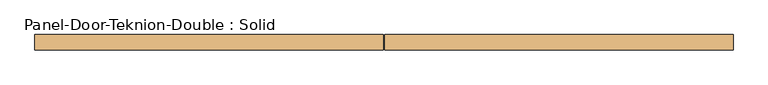
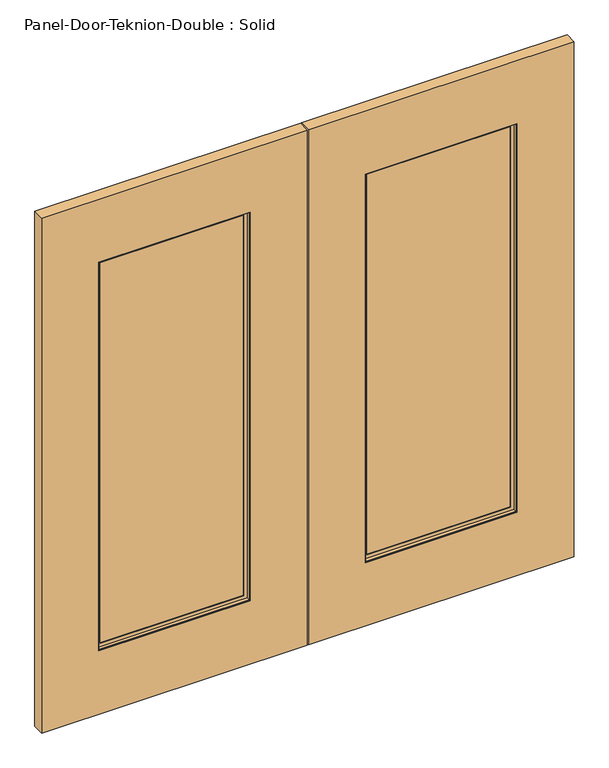
"""IFC4 building model written with IfcOpenShell, lengths in millimetres: door geometry, Panel-Door-Teknion-Double : Solid."""

import ifcopenshell
import ifcopenshell.guid

model = None  # the IFC model being written
_history = None  # IfcOwnerHistory: only IFC2X3 demands one
_inside = {}  # id of a spatial element -> (the spatial element, [elements in it])
_under = {}  # id of a project, library or spatial element -> (it, [spatial elements below it])
_declared = {}  # id of a project -> (the project, [libraries it declares])
_typed = {}  # id of a type object -> (the type object, [elements of that type])
_made_of = {}  # id of a material, layer set ... -> (it, [elements and type objects made of it])


def new_model(schema):
    """Start an empty IFC model of exactly this schema.

    Asked for "IFC4X3", IfcOpenShell would pick the latest addendum, in which some entities
    have other attributes; the version numbers below select the first issue.
    IFC2X3 requires an IfcOwnerHistory on every rooted entity: one is made here for all.
    """
    global model, _history
    if schema == "IFC4X3":
        model = ifcopenshell.file(schema_version=(4, 3, 0, 0))
    else:
        model = ifcopenshell.file(schema=schema)
    _inside.clear()
    _under.clear()
    _declared.clear()
    _typed.clear()
    _made_of.clear()
    _history = None
    if model.schema == "IFC2X3":
        org = make("IfcOrganization", Name="unknown")
        user = make(
            "IfcPersonAndOrganization",
            ThePerson=make("IfcPerson", FamilyName="unknown"),
            TheOrganization=org,
        )
        app = make(
            "IfcApplication",
            ApplicationDeveloper=org,
            Version="unknown",
            ApplicationFullName="unknown",
            ApplicationIdentifier="unknown",
        )
        _history = make(
            "IfcOwnerHistory",
            OwningUser=user,
            OwningApplication=app,
            ChangeAction="ADDED",
            CreationDate=0,
        )
    return model


def make(cls, **values):
    """One entity of the class cls with the attributes given. An attribute that is None is left unset."""
    return model.create_entity(
        cls, **{name: value for name, value in values.items() if value is not None}
    )


def rooted(cls, **values):
    """An entity with a GlobalId (a new one), such as an element, a storey or a relation."""
    return make(cls, GlobalId=ifcopenshell.guid.new(), OwnerHistory=_history, **values)


def si_unit(unit_type, name, prefix=None):
    """IfcSIUnit, for example si_unit("LENGTHUNIT", "METRE", prefix="MILLI")."""
    return make("IfcSIUnit", UnitType=unit_type, Prefix=prefix, Name=name)


def assignment(units):
    """IfcUnitAssignment: the units of a project."""
    return None if units is None else make("IfcUnitAssignment", Units=units)


def point(xyz):
    """IfcCartesianPoint."""
    return None if xyz is None else make("IfcCartesianPoint", Coordinates=xyz)


def direction(xyz):
    """IfcDirection."""
    return None if xyz is None else make("IfcDirection", DirectionRatios=xyz)


def frame(location, z_axis=None, x_axis=None):
    """IfcAxis2Placement3D, a coordinate frame: its origin and axes. An axis left out is left unset."""
    return make(
        "IfcAxis2Placement3D",
        Location=point(location),
        Axis=direction(z_axis),
        RefDirection=direction(x_axis),
    )


def origin():
    """The frame at (0, 0, 0) with its axes left unset."""
    return frame((0.0, 0.0, 0.0))


def place(relative_to, where):
    """IfcLocalPlacement: puts the frame where relative to a parent placement (None: the world)."""
    return make(
        "IfcLocalPlacement", PlacementRelTo=relative_to, RelativePlacement=where
    )


def context(
    kind, dimensions, precision=None, world=None, true_north=None, identifier=None
):
    """IfcGeometricRepresentationContext, for example the 3D "Model" context."""
    return make(
        "IfcGeometricRepresentationContext",
        ContextIdentifier=identifier,
        ContextType=kind,
        CoordinateSpaceDimension=dimensions,
        Precision=precision,
        WorldCoordinateSystem=world,
        TrueNorth=true_north,
    )


def project(units=None, contexts=None):
    """IfcProject with its units and contexts."""
    return rooted(
        "IfcProject",
        Name="project",
        RepresentationContexts=contexts,
        UnitsInContext=assignment(units),
    )


def spatial(cls, under=None, at=None, **own):
    """A site, building, storey or space (cls), placed at a placement, below another one or the project."""
    s = rooted(cls, ObjectPlacement=at, **own)
    if under is not None:
        _under.setdefault(under.id(), (under, []))[1].append(s)
    return s


def polyline(points):
    """IfcPolyline through the points."""
    return make("IfcPolyline", Points=[point(p) for p in points])


def outline(outer, holes=None, kind="AREA"):
    """IfcArbitraryClosedProfileDef: a profile drawn as a closed curve; with holes, ...WithVoids."""
    if holes is None:
        return make("IfcArbitraryClosedProfileDef", ProfileType=kind, OuterCurve=outer)
    return make(
        "IfcArbitraryProfileDefWithVoids",
        ProfileType=kind,
        OuterCurve=outer,
        InnerCurves=holes,
    )


def extrude(swept, where, along, depth):
    """IfcExtrudedAreaSolid: the profile swept, set in the frame where, extruded along a direction by depth."""
    return make(
        "IfcExtrudedAreaSolid",
        SweptArea=swept,
        Position=where,
        ExtrudedDirection=direction(along),
        Depth=depth,
    )


def faces_of(points, faces, orient=None, outer=None):
    """IfcFace entities. A face is a list of loops; a loop is a list of indices into points, from 0.

    orient and outer hold one flag for each loop. By default every Orientation is true, the
    first loop of a face is its IfcFaceOuterBound and the others are IfcFaceBound.
    """
    made = []
    for i, loops in enumerate(faces):
        bounds = []
        for j, loop in enumerate(loops):
            is_outer = j == 0 if outer is None else outer[i][j]
            bounds.append(
                make(
                    "IfcFaceOuterBound" if is_outer else "IfcFaceBound",
                    Bound=make("IfcPolyLoop", Polygon=[points[k] for k in loop]),
                    Orientation=True if orient is None else orient[i][j],
                )
            )
        made.append(make("IfcFace", Bounds=bounds))
    return made


def faceted_brep(points, faces, orient=None, outer=None, voids=None):
    """IfcFacetedBrep: a solid bounded by flat faces; with voids (closed shells), ...WithVoids."""
    shared = [point(p) for p in points]
    hull = make("IfcClosedShell", CfsFaces=faces_of(shared, faces, orient, outer))
    if voids is None:
        return make("IfcFacetedBrep", Outer=hull)
    return make(
        "IfcFacetedBrepWithVoids",
        Outer=hull,
        Voids=[
            make(cls, CfsFaces=faces_of(shared, fs, o, b)) for cls, fs, o, b in voids
        ],
    )


def shape(context_of_items, identifier, shape_type, items):
    """IfcShapeRepresentation: the items that make up one representation, for example the "Body"."""
    return make(
        "IfcShapeRepresentation",
        ContextOfItems=context_of_items,
        RepresentationIdentifier=identifier,
        RepresentationType=shape_type,
        Items=items,
    )


def source(mapping_origin, context_of_items, identifier, shape_type, items):
    """IfcRepresentationMap: a shape defined once, which mapped items show again and again."""
    return make(
        "IfcRepresentationMap",
        MappingOrigin=mapping_origin,
        MappedRepresentation=shape(context_of_items, identifier, shape_type, items),
    )


def transform(
    local_origin,
    x_axis=None,
    y_axis=None,
    z_axis=None,
    scale=None,
    scale2=None,
    scale3=None,
    uniform=True,
):
    """IfcCartesianTransformationOperator3D, or its non-uniform kind. x_axis, y_axis, z_axis: its Axis1, 2, 3."""
    if uniform:
        return make(
            "IfcCartesianTransformationOperator3D",
            Axis1=direction(x_axis),
            Axis2=direction(y_axis),
            LocalOrigin=point(local_origin),
            Scale=scale,
            Axis3=direction(z_axis),
        )
    return make(
        "IfcCartesianTransformationOperator3DnonUniform",
        Axis1=direction(x_axis),
        Axis2=direction(y_axis),
        LocalOrigin=point(local_origin),
        Scale=scale,
        Axis3=direction(z_axis),
        Scale2=scale2,
        Scale3=scale3,
    )


def mapped(mapping_source, mapping_target):
    """IfcMappedItem: shows the shape of a source again, moved by a transform."""
    return make(
        "IfcMappedItem", MappingSource=mapping_source, MappingTarget=mapping_target
    )


def made_of(thing, what):
    """Note that an element or type object is made of a material, layer set ...; save() writes the relation."""
    if what is not None:
        _made_of.setdefault(what.id(), (what, []))[1].append(thing)
    return thing


def element(
    cls,
    number,
    at=None,
    inside=None,
    cuts=None,
    type_object=None,
    material=None,
    context=None,
    identifier="Body",
    shape_type=None,
    held_by="IfcProductDefinitionShape",
    body=None,
    shapes=None,
    **own,
):
    """One element of the class cls, such as IfcWall. Its Tag is "e" and its number.

    at: its placement. inside: the storey or other place that contains it. cuts: it is an
    opening in that element (IfcRelVoidsElement). A single representation is given by context,
    identifier, shape_type and body (its items); several are given by shapes. held_by: the class
    of the entity that holds the representations. save() writes the other relations.
    """
    e = rooted(cls, Tag="e%d" % number, ObjectPlacement=at, **own)
    if body is not None:
        shapes = [shape(context, identifier, shape_type, body)]
    if shapes is not None:
        e.Representation = make(held_by, Representations=shapes)
    if inside is not None:
        _inside.setdefault(inside.id(), (inside, []))[1].append(e)
    if cuts is not None:
        rooted(
            "IfcRelVoidsElement", RelatingBuildingElement=cuts, RelatedOpeningElement=e
        )
    if type_object is not None:
        _typed.setdefault(type_object.id(), (type_object, []))[1].append(e)
    return made_of(e, material)


def aggregate(whole, parts):
    """IfcRelAggregates: a whole, such as a stair, and the parts it consists of."""
    return rooted("IfcRelAggregates", RelatingObject=whole, RelatedObjects=parts)


def save(model, path):
    """Write the relations noted so far, then the file.

    IfcRelAggregates (storeys below a building ...), IfcRelContainedInSpatialStructure (elements
    in a storey), IfcRelDefinesByType, IfcRelAssociatesMaterial and IfcRelDeclares: one each for
    every whole, place, type object, material and project.
    """
    for whole, parts in _under.values():
        aggregate(whole, parts)
    for where, things in _inside.values():
        rooted(
            "IfcRelContainedInSpatialStructure",
            RelatedElements=things,
            RelatingStructure=where,
        )
    for kind, things in _typed.values():
        rooted("IfcRelDefinesByType", RelatedObjects=things, RelatingType=kind)
    for what, things in _made_of.values():
        rooted("IfcRelAssociatesMaterial", RelatedObjects=things, RelatingMaterial=what)
    for by, libraries in _declared.values():
        rooted("IfcRelDeclares", RelatingContext=by, RelatedDefinitions=libraries)
    model.write(path)


def panel_door_teknion_double_solid_a54a2ffe(model_context):
    return source(origin(), model_context, "Body", "SolidModel", [
        extrude(outline(polyline([(2078.9825997, -520.7002565), (12.7, -520.7002565), (12.7, 487.3625), (2078.9825997, 487.3625), (2078.9825997, -520.7002565)]), holes=[polyline([(1824.9825997, 271.4625), (266.7, 271.4625), (266.7, -304.8002565), (1824.9825997, -304.8002565), (1824.9825997, 271.4625)])]), frame((0.0, -22.225, 0.0), z_axis=(0.0, 1.0, 0.0), x_axis=(0.0, 0.0, 1.0)), (0.0, 0.0, 1.0), 44.45),
        extrude(outline(polyline([(2078.9825997, 492.4425), (12.7, 492.4425), (12.7, 1500.4978563), (2078.9825997, 1500.4978563), (2078.9825997, 492.4425)]), holes=[polyline([(1824.9825997, 1284.5978563), (266.7, 1284.5978563), (266.7, 708.3425), (1824.9825997, 708.3425), (1824.9825997, 1284.5978563)])]), frame((0.0, -22.225, 0.0), z_axis=(0.0, 1.0, 0.0), x_axis=(0.0, 0.0, 1.0)), (0.0, 0.0, 1.0), 44.45),
        extrude(outline(polyline([(271.4625, -3.175), (-304.8002565, -3.175), (-304.8002565, 3.175), (271.4625, 3.175), (271.4625, -3.175)])), frame((0.0, 0.0, 266.7), z_axis=(0.0, 0.0, 1.0), x_axis=(1.0, 0.0, 0.0)), (0.0, 0.0, 1.0), 1558.2825997),
        extrude(outline(polyline([(1284.5978563, -3.175), (708.3425, -3.175), (708.3425, 3.175), (1284.5978563, 3.175), (1284.5978563, -3.175)])), frame((0.0, 0.0, 266.7), z_axis=(0.0, 0.0, 1.0), x_axis=(1.0, 0.0, 0.0)), (0.0, 0.0, 1.0), 1558.2825997),
        faceted_brep([(724.233079, 3.797467, 1809.0920207), (724.233079, 3.797467, 282.590579), (724.233079, 6.9755828, 282.590579), (724.233079, 6.9755828, 1809.0920207), (1268.7072773, 3.797467, 282.590579), (1268.7072773, 6.9755828, 282.590579), (1281.4197405, 6.9755828, 269.8781158), (711.5206158, 6.9755828, 269.8781158), (711.5206158, 6.9755828, 1821.8044839), (1281.4197405, 6.9755828, 1821.8044839), (1268.7072773, 6.9755828, 1809.0920207), (1268.7072773, 3.797467, 1809.0920207), (708.3425, 3.797467, 266.7), (1284.5978563, 3.797467, 266.7), (1284.5978563, 3.797467, 1824.9825997), (708.3425, 3.797467, 1824.9825997), (708.3425, 19.688046, 1824.9825997), (708.3425, 19.688046, 266.7), (1284.5978563, 19.688046, 266.7), (1284.5978563, 19.688046, 1824.9825997), (711.5206158, 19.688046, 269.8781158), (1281.4197405, 19.688046, 269.8781158), (1281.4197405, 19.688046, 1821.8044839), (711.5206158, 19.688046, 1821.8044839)], [[[0, 1, 2, 3]], [[1, 4, 5, 2]], [[6, 7, 8, 9], [2, 5, 10, 3]], [[4, 11, 10, 5]], [[12, 13, 14, 15], [4, 1, 0, 11]], [[16, 17, 12, 15]], [[17, 18, 13, 12]], [[18, 19, 14, 13]], [[18, 17, 16, 19], [20, 21, 22, 23]], [[8, 7, 20, 23]], [[7, 6, 21, 20]], [[6, 9, 22, 21]], [[11, 0, 3, 10]], [[19, 16, 15, 14]], [[9, 8, 23, 22]]]),
        faceted_brep([(711.5206158, -19.688046, 1821.8044839), (711.5206158, -19.688046, 269.8781158), (711.5206158, -6.9755828, 269.8781158), (711.5206158, -6.9755828, 1821.8044839), (1281.4197405, -19.688046, 269.8781158), (1281.4197405, -6.9755828, 269.8781158), (1281.4197405, -6.9755828, 1821.8044839), (1268.7072773, -6.9755828, 282.590579), (724.233079, -6.9755828, 282.590579), (724.233079, -6.9755828, 1809.0920207), (1268.7072773, -6.9755828, 1809.0920207), (1281.4197405, -19.688046, 1821.8044839), (708.3425, -19.688046, 266.7), (1284.5978563, -19.688046, 266.7), (1284.5978563, -19.688046, 1824.9825997), (708.3425, -19.688046, 1824.9825997), (708.3425, -3.797467, 1824.9825997), (708.3425, -3.797467, 266.7), (1284.5978563, -3.797467, 266.7), (1284.5978563, -3.797467, 1824.9825997), (724.233079, -3.797467, 282.590579), (1268.7072773, -3.797467, 282.590579), (1268.7072773, -3.797467, 1809.0920207), (724.233079, -3.797467, 1809.0920207)], [[[0, 1, 2, 3]], [[1, 4, 5, 2]], [[2, 5, 6, 3], [7, 8, 9, 10]], [[4, 11, 6, 5]], [[12, 13, 14, 15], [4, 1, 0, 11]], [[16, 17, 12, 15]], [[17, 18, 13, 12]], [[18, 19, 14, 13]], [[18, 17, 16, 19], [20, 21, 22, 23]], [[9, 8, 20, 23]], [[8, 7, 21, 20]], [[7, 10, 22, 21]], [[11, 0, 3, 6]], [[19, 16, 15, 14]], [[10, 9, 23, 22]]]),
        faceted_brep([(-288.9096776, 3.797467, 1809.0920207), (-288.9096776, 3.797467, 282.590579), (-288.9096776, 6.9755828, 282.590579), (-288.9096776, 6.9755828, 1809.0920207), (255.571921, 3.797467, 282.590579), (255.571921, 6.9755828, 282.590579), (268.2843842, 6.9755828, 269.8781158), (-301.6221407, 6.9755828, 269.8781158), (-301.6221407, 6.9755828, 1821.8044839), (268.2843842, 6.9755828, 1821.8044839), (255.571921, 6.9755828, 1809.0920207), (255.571921, 3.797467, 1809.0920207), (-304.8002565, 3.797467, 266.7), (271.4625, 3.797467, 266.7), (271.4625, 3.797467, 1824.9825997), (-304.8002565, 3.797467, 1824.9825997), (-304.8002565, 19.688046, 1824.9825997), (-304.8002565, 19.688046, 266.7), (271.4625, 19.688046, 266.7), (271.4625, 19.688046, 1824.9825997), (-301.6221407, 19.688046, 269.8781158), (268.2843842, 19.688046, 269.8781158), (268.2843842, 19.688046, 1821.8044839), (-301.6221407, 19.688046, 1821.8044839)], [[[0, 1, 2, 3]], [[1, 4, 5, 2]], [[6, 7, 8, 9], [2, 5, 10, 3]], [[4, 11, 10, 5]], [[12, 13, 14, 15], [4, 1, 0, 11]], [[16, 17, 12, 15]], [[17, 18, 13, 12]], [[18, 19, 14, 13]], [[18, 17, 16, 19], [20, 21, 22, 23]], [[8, 7, 20, 23]], [[7, 6, 21, 20]], [[6, 9, 22, 21]], [[11, 0, 3, 10]], [[19, 16, 15, 14]], [[9, 8, 23, 22]]]),
        faceted_brep([(-301.6221407, -19.688046, 1821.8044839), (-301.6221407, -19.688046, 269.8781158), (-301.6221407, -6.9755828, 269.8781158), (-301.6221407, -6.9755828, 1821.8044839), (268.2843842, -19.688046, 269.8781158), (268.2843842, -6.9755828, 269.8781158), (268.2843842, -6.9755828, 1821.8044839), (255.571921, -6.9755828, 282.590579), (-288.9096776, -6.9755828, 282.590579), (-288.9096776, -6.9755828, 1809.0920207), (255.571921, -6.9755828, 1809.0920207), (268.2843842, -19.688046, 1821.8044839), (-304.8002565, -19.688046, 266.7), (271.4625, -19.688046, 266.7), (271.4625, -19.688046, 1824.9825997), (-304.8002565, -19.688046, 1824.9825997), (-304.8002565, -3.797467, 1824.9825997), (-304.8002565, -3.797467, 266.7), (271.4625, -3.797467, 266.7), (271.4625, -3.797467, 1824.9825997), (-288.9096776, -3.797467, 282.590579), (255.571921, -3.797467, 282.590579), (255.571921, -3.797467, 1809.0920207), (-288.9096776, -3.797467, 1809.0920207)], [[[0, 1, 2, 3]], [[1, 4, 5, 2]], [[2, 5, 6, 3], [7, 8, 9, 10]], [[4, 11, 6, 5]], [[12, 13, 14, 15], [4, 1, 0, 11]], [[16, 17, 12, 15]], [[17, 18, 13, 12]], [[18, 19, 14, 13]], [[18, 17, 16, 19], [20, 21, 22, 23]], [[9, 8, 20, 23]], [[8, 7, 21, 20]], [[7, 10, 22, 21]], [[11, 0, 3, 6]], [[19, 16, 15, 14]], [[10, 9, 23, 22]]]),
    ])


if __name__ == "__main__":
    model = new_model("IFC4")
    model_context = context("Model", 3, world=origin())
    ifc_project = project(units=[si_unit("LENGTHUNIT", "METRE", prefix="MILLI")], contexts=[model_context])
    site = spatial("IfcSite", under=ifc_project)
    building = spatial("IfcBuilding", under=site)
    placement = place(None, origin())
    panel_door_teknion_double_solid_shape = panel_door_teknion_double_solid_a54a2ffe(model_context)
    element("IfcDoor", 1, ObjectType="Panel-Door-Teknion-Double : Solid", at=placement, inside=building, context=model_context, shape_type="MappedRepresentation", body=[
        mapped(panel_door_teknion_double_solid_shape, transform((0.0, 0.0, 0.0), x_axis=(1.0, 0.0, 0.0), y_axis=(0.0, 1.0, 0.0), z_axis=(0.0, 0.0, 1.0))),
    ])
    save(model, "model.ifc")
